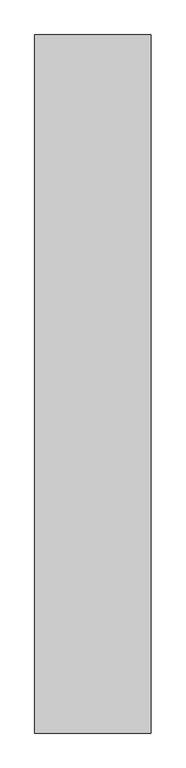
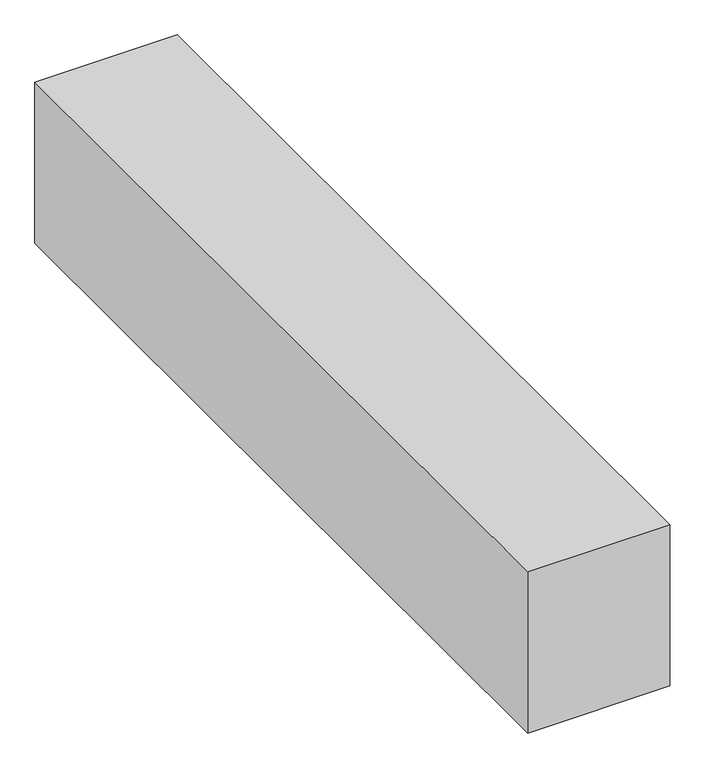
"""IFC4 building model written with IfcOpenShell, lengths in millimetres: proxy geometry."""

from ifc_helpers import new_model, si_unit, frame, origin, place, context, project, spatial, polyline, outline, extrude, source, transform, mapped, element, save


def generic_models_77dae9da(model_context):
    return source(origin(), model_context, "Body", "SweptSolid", [
        extrude(outline(polyline([(1000.0, 6000.0), (1000.0, 0.0), (0.0, 0.0), (0.0, 6000.0), (1000.0, 6000.0)])), frame((0.0, 0.0, 3000.0), z_axis=(0.0, 0.0, 1.0), x_axis=(1.0, 0.0, 0.0)), (0.0, 0.0, 1.0), 1200.0),
    ])


if __name__ == "__main__":
    model = new_model("IFC4")
    model_context = context("Model", 3, world=origin())
    ifc_project = project(units=[si_unit("LENGTHUNIT", "METRE", prefix="MILLI")], contexts=[model_context])
    site = spatial("IfcSite", under=ifc_project)
    building = spatial("IfcBuilding", under=site)
    placement = place(None, origin())
    generic_models_shape = generic_models_77dae9da(model_context)
    element("IfcBuildingElementProxy", 1, Name="Generic Models", at=placement, inside=building, context=model_context, shape_type="MappedRepresentation", body=[
        mapped(generic_models_shape, transform((0.0, 0.0, 0.0), x_axis=(1.0, 0.0, 0.0), y_axis=(0.0, 1.0, 0.0), z_axis=(0.0, 0.0, 1.0))),
    ])
    save(model, "model.ifc")
